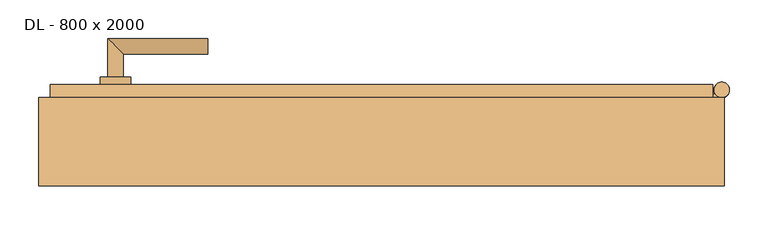
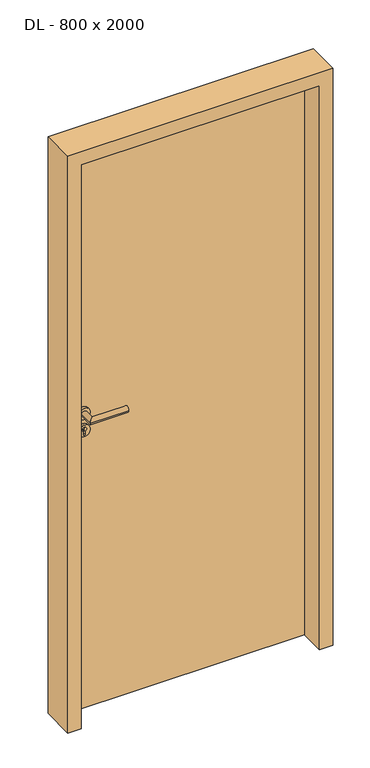
"""IFC4 building model written with IfcOpenShell, lengths in millimetres: door geometry, DL - 800 x 2000."""

import ifcopenshell
import ifcopenshell.guid

model = None  # the IFC model being written
_history = None  # IfcOwnerHistory: only IFC2X3 demands one
_inside = {}  # id of a spatial element -> (the spatial element, [elements in it])
_under = {}  # id of a project, library or spatial element -> (it, [spatial elements below it])
_declared = {}  # id of a project -> (the project, [libraries it declares])
_typed = {}  # id of a type object -> (the type object, [elements of that type])
_made_of = {}  # id of a material, layer set ... -> (it, [elements and type objects made of it])


def new_model(schema):
    """Start an empty IFC model of exactly this schema.

    Asked for "IFC4X3", IfcOpenShell would pick the latest addendum, in which some entities
    have other attributes; the version numbers below select the first issue.
    IFC2X3 requires an IfcOwnerHistory on every rooted entity: one is made here for all.
    """
    global model, _history
    if schema == "IFC4X3":
        model = ifcopenshell.file(schema_version=(4, 3, 0, 0))
    else:
        model = ifcopenshell.file(schema=schema)
    _inside.clear()
    _under.clear()
    _declared.clear()
    _typed.clear()
    _made_of.clear()
    _history = None
    if model.schema == "IFC2X3":
        org = make("IfcOrganization", Name="unknown")
        user = make(
            "IfcPersonAndOrganization",
            ThePerson=make("IfcPerson", FamilyName="unknown"),
            TheOrganization=org,
        )
        app = make(
            "IfcApplication",
            ApplicationDeveloper=org,
            Version="unknown",
            ApplicationFullName="unknown",
            ApplicationIdentifier="unknown",
        )
        _history = make(
            "IfcOwnerHistory",
            OwningUser=user,
            OwningApplication=app,
            ChangeAction="ADDED",
            CreationDate=0,
        )
    return model


def make(cls, **values):
    """One entity of the class cls with the attributes given. An attribute that is None is left unset."""
    return model.create_entity(
        cls, **{name: value for name, value in values.items() if value is not None}
    )


def rooted(cls, **values):
    """An entity with a GlobalId (a new one), such as an element, a storey or a relation."""
    return make(cls, GlobalId=ifcopenshell.guid.new(), OwnerHistory=_history, **values)


def si_unit(unit_type, name, prefix=None):
    """IfcSIUnit, for example si_unit("LENGTHUNIT", "METRE", prefix="MILLI")."""
    return make("IfcSIUnit", UnitType=unit_type, Prefix=prefix, Name=name)


def assignment(units):
    """IfcUnitAssignment: the units of a project."""
    return None if units is None else make("IfcUnitAssignment", Units=units)


def point(xyz):
    """IfcCartesianPoint."""
    return None if xyz is None else make("IfcCartesianPoint", Coordinates=xyz)


def direction(xyz):
    """IfcDirection."""
    return None if xyz is None else make("IfcDirection", DirectionRatios=xyz)


def frame(location, z_axis=None, x_axis=None):
    """IfcAxis2Placement3D, a coordinate frame: its origin and axes. An axis left out is left unset."""
    return make(
        "IfcAxis2Placement3D",
        Location=point(location),
        Axis=direction(z_axis),
        RefDirection=direction(x_axis),
    )


def frame_2d(location, x_axis=None):
    """IfcAxis2Placement2D, a coordinate frame in the plane: its origin and x axis."""
    return make(
        "IfcAxis2Placement2D", Location=point(location), RefDirection=direction(x_axis)
    )


def origin():
    """The frame at (0, 0, 0) with its axes left unset."""
    return frame((0.0, 0.0, 0.0))


def place(relative_to, where):
    """IfcLocalPlacement: puts the frame where relative to a parent placement (None: the world)."""
    return make(
        "IfcLocalPlacement", PlacementRelTo=relative_to, RelativePlacement=where
    )


def context(
    kind, dimensions, precision=None, world=None, true_north=None, identifier=None
):
    """IfcGeometricRepresentationContext, for example the 3D "Model" context."""
    return make(
        "IfcGeometricRepresentationContext",
        ContextIdentifier=identifier,
        ContextType=kind,
        CoordinateSpaceDimension=dimensions,
        Precision=precision,
        WorldCoordinateSystem=world,
        TrueNorth=true_north,
    )


def project(units=None, contexts=None):
    """IfcProject with its units and contexts."""
    return rooted(
        "IfcProject",
        Name="project",
        RepresentationContexts=contexts,
        UnitsInContext=assignment(units),
    )


def spatial(cls, under=None, at=None, **own):
    """A site, building, storey or space (cls), placed at a placement, below another one or the project."""
    s = rooted(cls, ObjectPlacement=at, **own)
    if under is not None:
        _under.setdefault(under.id(), (under, []))[1].append(s)
    return s


def polyline(points):
    """IfcPolyline through the points."""
    return make("IfcPolyline", Points=[point(p) for p in points])


def circle_curve(where, radius):
    """IfcCircle in the frame where."""
    return make("IfcCircle", Position=where, Radius=radius)


def ellipse_curve(where, semi_axis1, semi_axis2):
    """IfcEllipse in the frame where."""
    return make(
        "IfcEllipse", Position=where, SemiAxis1=semi_axis1, SemiAxis2=semi_axis2
    )


def trimmed(basis, trim1, trim2, sense, master):
    """IfcTrimmedCurve: the piece of a basis curve between two trims."""
    return make(
        "IfcTrimmedCurve",
        BasisCurve=basis,
        Trim1=trim1,
        Trim2=trim2,
        SenseAgreement=sense,
        MasterRepresentation=master,
    )


def segment(curve, same_sense, transition):
    """IfcCompositeCurveSegment."""
    return make(
        "IfcCompositeCurveSegment",
        Transition=transition,
        SameSense=same_sense,
        ParentCurve=curve,
    )


def composite_curve(segments, self_intersect=None):
    """IfcCompositeCurve: segments joined end to end."""
    return make("IfcCompositeCurve", Segments=segments, SelfIntersect=self_intersect)


def outline(outer, holes=None, kind="AREA"):
    """IfcArbitraryClosedProfileDef: a profile drawn as a closed curve; with holes, ...WithVoids."""
    if holes is None:
        return make("IfcArbitraryClosedProfileDef", ProfileType=kind, OuterCurve=outer)
    return make(
        "IfcArbitraryProfileDefWithVoids",
        ProfileType=kind,
        OuterCurve=outer,
        InnerCurves=holes,
    )


def extrude(swept, where, along, depth):
    """IfcExtrudedAreaSolid: the profile swept, set in the frame where, extruded along a direction by depth."""
    return make(
        "IfcExtrudedAreaSolid",
        SweptArea=swept,
        Position=where,
        ExtrudedDirection=direction(along),
        Depth=depth,
    )


def faces_of(points, faces, orient=None, outer=None):
    """IfcFace entities. A face is a list of loops; a loop is a list of indices into points, from 0.

    orient and outer hold one flag for each loop. By default every Orientation is true, the
    first loop of a face is its IfcFaceOuterBound and the others are IfcFaceBound.
    """
    made = []
    for i, loops in enumerate(faces):
        bounds = []
        for j, loop in enumerate(loops):
            is_outer = j == 0 if outer is None else outer[i][j]
            bounds.append(
                make(
                    "IfcFaceOuterBound" if is_outer else "IfcFaceBound",
                    Bound=make("IfcPolyLoop", Polygon=[points[k] for k in loop]),
                    Orientation=True if orient is None else orient[i][j],
                )
            )
        made.append(make("IfcFace", Bounds=bounds))
    return made


def faceted_brep(points, faces, orient=None, outer=None, voids=None):
    """IfcFacetedBrep: a solid bounded by flat faces; with voids (closed shells), ...WithVoids."""
    shared = [point(p) for p in points]
    hull = make("IfcClosedShell", CfsFaces=faces_of(shared, faces, orient, outer))
    if voids is None:
        return make("IfcFacetedBrep", Outer=hull)
    return make(
        "IfcFacetedBrepWithVoids",
        Outer=hull,
        Voids=[
            make(cls, CfsFaces=faces_of(shared, fs, o, b)) for cls, fs, o, b in voids
        ],
    )


def shape(context_of_items, identifier, shape_type, items):
    """IfcShapeRepresentation: the items that make up one representation, for example the "Body"."""
    return make(
        "IfcShapeRepresentation",
        ContextOfItems=context_of_items,
        RepresentationIdentifier=identifier,
        RepresentationType=shape_type,
        Items=items,
    )


def source(mapping_origin, context_of_items, identifier, shape_type, items):
    """IfcRepresentationMap: a shape defined once, which mapped items show again and again."""
    return make(
        "IfcRepresentationMap",
        MappingOrigin=mapping_origin,
        MappedRepresentation=shape(context_of_items, identifier, shape_type, items),
    )


def transform(
    local_origin,
    x_axis=None,
    y_axis=None,
    z_axis=None,
    scale=None,
    scale2=None,
    scale3=None,
    uniform=True,
):
    """IfcCartesianTransformationOperator3D, or its non-uniform kind. x_axis, y_axis, z_axis: its Axis1, 2, 3."""
    if uniform:
        return make(
            "IfcCartesianTransformationOperator3D",
            Axis1=direction(x_axis),
            Axis2=direction(y_axis),
            LocalOrigin=point(local_origin),
            Scale=scale,
            Axis3=direction(z_axis),
        )
    return make(
        "IfcCartesianTransformationOperator3DnonUniform",
        Axis1=direction(x_axis),
        Axis2=direction(y_axis),
        LocalOrigin=point(local_origin),
        Scale=scale,
        Axis3=direction(z_axis),
        Scale2=scale2,
        Scale3=scale3,
    )


def mapped(mapping_source, mapping_target):
    """IfcMappedItem: shows the shape of a source again, moved by a transform."""
    return make(
        "IfcMappedItem", MappingSource=mapping_source, MappingTarget=mapping_target
    )


def made_of(thing, what):
    """Note that an element or type object is made of a material, layer set ...; save() writes the relation."""
    if what is not None:
        _made_of.setdefault(what.id(), (what, []))[1].append(thing)
    return thing


def element(
    cls,
    number,
    at=None,
    inside=None,
    cuts=None,
    type_object=None,
    material=None,
    context=None,
    identifier="Body",
    shape_type=None,
    held_by="IfcProductDefinitionShape",
    body=None,
    shapes=None,
    **own,
):
    """One element of the class cls, such as IfcWall. Its Tag is "e" and its number.

    at: its placement. inside: the storey or other place that contains it. cuts: it is an
    opening in that element (IfcRelVoidsElement). A single representation is given by context,
    identifier, shape_type and body (its items); several are given by shapes. held_by: the class
    of the entity that holds the representations. save() writes the other relations.
    """
    e = rooted(cls, Tag="e%d" % number, ObjectPlacement=at, **own)
    if body is not None:
        shapes = [shape(context, identifier, shape_type, body)]
    if shapes is not None:
        e.Representation = make(held_by, Representations=shapes)
    if inside is not None:
        _inside.setdefault(inside.id(), (inside, []))[1].append(e)
    if cuts is not None:
        rooted(
            "IfcRelVoidsElement", RelatingBuildingElement=cuts, RelatedOpeningElement=e
        )
    if type_object is not None:
        _typed.setdefault(type_object.id(), (type_object, []))[1].append(e)
    return made_of(e, material)


def aggregate(whole, parts):
    """IfcRelAggregates: a whole, such as a stair, and the parts it consists of."""
    return rooted("IfcRelAggregates", RelatingObject=whole, RelatedObjects=parts)


def save(model, path):
    """Write the relations noted so far, then the file.

    IfcRelAggregates (storeys below a building ...), IfcRelContainedInSpatialStructure (elements
    in a storey), IfcRelDefinesByType, IfcRelAssociatesMaterial and IfcRelDeclares: one each for
    every whole, place, type object, material and project.
    """
    for whole, parts in _under.values():
        aggregate(whole, parts)
    for where, things in _inside.values():
        rooted(
            "IfcRelContainedInSpatialStructure",
            RelatedElements=things,
            RelatingStructure=where,
        )
    for kind, things in _typed.values():
        rooted("IfcRelDefinesByType", RelatedObjects=things, RelatingType=kind)
    for what, things in _made_of.values():
        rooted("IfcRelAssociatesMaterial", RelatedObjects=things, RelatingMaterial=what)
    for by, libraries in _declared.values():
        rooted("IfcRelDeclares", RelatingContext=by, RelatedDefinitions=libraries)
    model.write(path)


def plane_surface(at):
    """IfcPlane: the flat surface through the origin of the frame at, square to its z axis."""
    return make("IfcPlane", Position=at)


def cylinder_surface(at, radius):
    """IfcCylindricalSurface: all points at the distance radius from the z axis of the frame at."""
    return make("IfcCylindricalSurface", Position=at, Radius=radius)


def advanced_brep(points, edges, surfaces, faces):
    """IfcAdvancedBrep: a solid bounded by faces that lie on surfaces and meet in shared edges.

    An edge is (start, end): straight between two places in points (the first is 0);
    or (start, end, curve); or (start, end, curve, False) where it runs against its curve.
    A face is (place in surfaces, loops), or (place, loops, False) where it looks against
    its surface's normal. A loop lists edges by number (the first is 1), with a minus sign
    where the edge is run from its end to its start. The first loop is the outer one.
    """
    corners = [point(p) for p in points]
    vertices = [make("IfcVertexPoint", VertexGeometry=c) for c in corners]
    made = []
    for start, end, *more in edges:
        made.append(
            make(
                "IfcEdgeCurve",
                EdgeStart=vertices[start],
                EdgeEnd=vertices[end],
                EdgeGeometry=more[0] if more else make("IfcPolyline", Points=[corners[start], corners[end]]),
                SameSense=more[1] if len(more) > 1 else True,
            )
        )
    hull = []
    for where, loops, *sense in faces:
        bounds = []
        for j, loop in enumerate(loops):
            ring = [make("IfcOrientedEdge", EdgeElement=made[abs(k) - 1], Orientation=k > 0) for k in loop]
            bounds.append(
                make(
                    "IfcFaceOuterBound" if j == 0 else "IfcFaceBound",
                    Bound=make("IfcEdgeLoop", EdgeList=ring),
                    Orientation=True,
                )
            )
        hull.append(make("IfcAdvancedFace", Bounds=bounds, FaceSurface=surfaces[where], SameSense=sense[0] if sense else True))
    return make("IfcAdvancedBrep", Outer=make("IfcClosedShell", CfsFaces=hull))


def dl_800_x_2000_41e7b080(model_context):
    return source(origin(), model_context, "Body", "SolidModel", [
        faceted_brep([(430.0, 74.5, 0.0), (430.0, 57.5, 0.0), (415.0, 57.5, 0.0), (415.0, 29.5, 0.0), (-415.0, 29.5, 0.0), (-415.0, 57.5, 0.0), (-430.0, 57.5, 0.0), (-430.0, 74.5, 0.0), (430.0, 74.5, 2030.0), (-430.0, 74.5, 2030.0), (-430.0, 57.5, 2030.0), (-415.0, 57.5, 2015.0), (415.0, 57.5, 2015.0), (430.0, 57.5, 2030.0), (-415.0, 29.5, 2015.0), (415.0, 29.5, 2015.0)], [[[0, 1, 2, 3, 4, 5, 6, 7]], [[8, 0, 7, 9]], [[7, 6, 10, 9]], [[11, 12, 2, 1, 13, 10, 6, 5]], [[5, 4, 14, 11]], [[3, 15, 14, 4]], [[12, 15, 3, 2]], [[8, 13, 1, 0]], [[9, 10, 13, 8]], [[11, 14, 15, 12]]]),
        extrude(outline(composite_curve([segment(trimmed(circle_curve(frame_2d((442.0, 67.5)), 10.0), [point((432.0, 67.5))], [point((452.0, 67.5))], False, "CARTESIAN"), True, "CONTINUOUS"), segment(trimmed(circle_curve(frame_2d((442.0, 67.5)), 10.0), [point((452.0, 67.5))], [point((432.0, 67.5))], False, "CARTESIAN"), True, "CONTINUOUS")], self_intersect=False)), frame((0.0, 0.0, 1799.0), z_axis=(0.0, 0.0, 1.0), x_axis=(1.0, 0.0, 0.0)), (0.0, 0.0, 1.0), 25.0),
        extrude(outline(composite_curve([segment(polyline([(442.0, 57.5), (430.0, 57.5), (430.0, 62.5), (433.339746, 62.5)]), True, "CONTINUOUS"), segment(trimmed(circle_curve(frame_2d((442.0, 67.5)), 10.0), [point((433.339746, 62.5))], [point((442.0, 57.5))], False, "CARTESIAN"), True, "CONTINUOUS")], self_intersect=False)), frame((0.0, 0.0, 1749.0), z_axis=(0.0, 0.0, 1.0), x_axis=(1.0, 0.0, 0.0)), (0.0, 0.0, 1.0), 50.0),
        extrude(outline(composite_curve([segment(trimmed(circle_curve(frame_2d((442.0, 67.5)), 10.0), [point((432.0, 67.5))], [point((452.0, 67.5))], False, "CARTESIAN"), True, "CONTINUOUS"), segment(trimmed(circle_curve(frame_2d((442.0, 67.5)), 10.0), [point((452.0, 67.5))], [point((432.0, 67.5))], False, "CARTESIAN"), True, "CONTINUOUS")], self_intersect=False)), frame((0.0, 0.0, 1724.0), z_axis=(0.0, 0.0, 1.0), x_axis=(1.0, 0.0, 0.0)), (0.0, 0.0, 1.0), 25.0),
        extrude(outline(composite_curve([segment(trimmed(circle_curve(frame_2d((442.0, 67.5)), 10.0), [point((432.0, 67.5))], [point((452.0, 67.5))], False, "CARTESIAN"), True, "CONTINUOUS"), segment(trimmed(circle_curve(frame_2d((442.0, 67.5)), 10.0), [point((452.0, 67.5))], [point((432.0, 67.5))], False, "CARTESIAN"), True, "CONTINUOUS")], self_intersect=False)), frame((0.0, 0.0, 266.0), z_axis=(0.0, 0.0, 1.0), x_axis=(1.0, 0.0, 0.0)), (0.0, 0.0, 1.0), 25.0),
        extrude(outline(composite_curve([segment(polyline([(442.0, 57.5), (430.0, 57.5), (430.0, 62.5), (433.339746, 62.5)]), True, "CONTINUOUS"), segment(trimmed(circle_curve(frame_2d((442.0, 67.5)), 10.0), [point((433.339746, 62.5))], [point((442.0, 57.5))], False, "CARTESIAN"), True, "CONTINUOUS")], self_intersect=False)), frame((0.0, 0.0, 216.0), z_axis=(0.0, 0.0, 1.0), x_axis=(1.0, 0.0, 0.0)), (0.0, 0.0, 1.0), 50.0),
        extrude(outline(composite_curve([segment(trimmed(circle_curve(frame_2d((442.0, 67.5)), 10.0), [point((432.0, 67.5))], [point((452.0, 67.5))], False, "CARTESIAN"), True, "CONTINUOUS"), segment(trimmed(circle_curve(frame_2d((442.0, 67.5)), 10.0), [point((452.0, 67.5))], [point((432.0, 67.5))], False, "CARTESIAN"), True, "CONTINUOUS")], self_intersect=False)), frame((0.0, 0.0, 191.0), z_axis=(0.0, 0.0, 1.0), x_axis=(1.0, 0.0, 0.0)), (0.0, 0.0, 1.0), 25.0),
        advanced_brep(
        [(-335.0, 84.5, 1050.0), (-355.0, 84.5, 1050.0), (-335.0, 114.5, 1050.0), (-355.0, 134.5, 1050.0), (-225.0, 114.5, 1050.0), (-225.0, 134.5, 1050.0)],
        [
            (0, 1, circle_curve(frame((-345.0, 84.5, 1050.0), z_axis=(0.0, -1.0, 0.0), x_axis=(-1.0, 0.0, 0.0)), 10.0)),
            (1, 0, circle_curve(frame((-345.0, 84.5, 1050.0), z_axis=(0.0, -1.0, 0.0), x_axis=(-1.0, 0.0, 0.0)), 10.0)),
            (0, 2),
            (2, 3, ellipse_curve(frame((-345.0, 124.5, 1050.0), z_axis=(-0.7071067811865531, -0.7071067811865419, 0.0), x_axis=(0.707106781186542, -0.707106781186553, 0.0)), 14.1421356, 10.0)),
            (3, 1),
            (3, 2, ellipse_curve(frame((-345.0, 124.5, 1050.0), z_axis=(-0.7071067811865531, -0.7071067811865419, 0.0), x_axis=(0.707106781186542, -0.707106781186553, 0.0)), 14.1421356, 10.0)),
            (4, 5, circle_curve(frame((-225.0, 124.5, 1050.0), z_axis=(1.0, 0.0, 0.0), x_axis=(0.0, 1.0, 0.0)), 10.0)),
            (5, 4, circle_curve(frame((-225.0, 124.5, 1050.0), z_axis=(1.0, 0.0, 0.0), x_axis=(0.0, 1.0, 0.0)), 10.0)),
            (2, 4),
            (5, 3),
        ],
        [
            plane_surface(frame((-345.0, 84.5, 1050.0), z_axis=(0.0, -1.0, 0.0), x_axis=(0.0, 0.0, 1.0))),
            cylinder_surface(frame((-345.0, 84.5, 1050.0), z_axis=(0.0, -1.0, 0.0), x_axis=(-1.0, 0.0, 0.0)), 10.0),
            plane_surface(frame((-225.0, 124.5, 1050.0), z_axis=(1.0, 0.0, 0.0), x_axis=(0.0, 0.0, 1.0))),
            cylinder_surface(frame((-345.0, 124.5, 1050.0), z_axis=(-1.0, 0.0, 0.0), x_axis=(0.0, 1.0, 0.0)), 10.0),
        ],
        [
            (0, [[1, 2]]),
            (1, [[-1, 3, 4, 5]]),
            (1, [[-2, -5, 6, -3]]),
            (2, [[7, 8]]),
            (3, [[-4, 9, -8, 10]]),
            (3, [[-6, -10, -7, -9]]),
        ],
    ),
        extrude(outline(composite_curve([segment(trimmed(circle_curve(frame_2d((990.0, -345.0)), 20.0), [point((990.0, -365.0))], [point((990.0, -325.0))], False, "CARTESIAN"), True, "CONTINUOUS"), segment(trimmed(circle_curve(frame_2d((990.0, -345.0)), 20.0), [point((990.0, -325.0))], [point((990.0, -365.0))], False, "CARTESIAN"), True, "CONTINUOUS")], self_intersect=False), holes=[composite_curve([segment(polyline([(976.4601385, -347.397268), (988.4749012, -347.397268)]), True, "CONTINUOUS"), segment(trimmed(circle_curve(frame_2d((995.0361633, -345.0)), 6.9854888), [point((988.4749012, -347.397268))], [point((988.4749012, -342.602732))], True, "CARTESIAN"), True, "CONTINUOUS"), segment(polyline([(988.4749012, -342.602732), (976.4601385, -342.602732)]), True, "CONTINUOUS"), segment(trimmed(circle_curve(frame_2d((976.4601385, -345.0)), 2.397268), [point((976.4601385, -342.602732))], [point((976.4601385, -347.397268))], True, "CARTESIAN"), True, "CONTINUOUS")], self_intersect=False)]), frame((0.0, 74.5, 0.0), z_axis=(0.0, 1.0, 0.0), x_axis=(0.0, 0.0, 1.0)), (0.0, 0.0, 1.0), 10.0),
        advanced_brep(
        [(-335.0, 84.5, 1050.0), (-355.0, 84.5, 1050.0), (-335.0, 114.5, 1050.0), (-355.0, 134.5, 1050.0), (-225.0, 114.5, 1050.0), (-225.0, 134.5, 1050.0)],
        [
            (0, 1, circle_curve(frame((-345.0, 84.5, 1050.0), z_axis=(0.0, -1.0, 0.0), x_axis=(-1.0, 0.0, 0.0)), 10.0)),
            (1, 0, circle_curve(frame((-345.0, 84.5, 1050.0), z_axis=(0.0, -1.0, 0.0), x_axis=(-1.0, 0.0, 0.0)), 10.0)),
            (0, 2),
            (2, 3, ellipse_curve(frame((-345.0, 124.5, 1050.0), z_axis=(-0.7071067811865537, -0.7071067811865414, 0.0), x_axis=(0.7071067811865414, -0.7071067811865536, 0.0)), 14.1421356, 10.0)),
            (3, 1),
            (3, 2, ellipse_curve(frame((-345.0, 124.5, 1050.0), z_axis=(-0.7071067811865537, -0.7071067811865414, 0.0), x_axis=(0.7071067811865414, -0.7071067811865536, 0.0)), 14.1421356, 10.0)),
            (4, 5, circle_curve(frame((-225.0, 124.5, 1050.0), z_axis=(1.0, 0.0, 0.0), x_axis=(0.0, 1.0, 0.0)), 10.0)),
            (5, 4, circle_curve(frame((-225.0, 124.5, 1050.0), z_axis=(1.0, 0.0, 0.0), x_axis=(0.0, 1.0, 0.0)), 10.0)),
            (2, 4),
            (5, 3),
        ],
        [
            plane_surface(frame((-345.0, 84.5, 1050.0), z_axis=(0.0, -1.0, 0.0), x_axis=(0.0, 0.0, 1.0))),
            cylinder_surface(frame((-345.0, 84.5, 1050.0), z_axis=(0.0, -1.0, 0.0), x_axis=(-1.0, 0.0, 0.0)), 10.0),
            plane_surface(frame((-225.0, 124.5, 1050.0), z_axis=(1.0, 0.0, 0.0), x_axis=(0.0, 0.0, 1.0))),
            cylinder_surface(frame((-345.0, 124.5, 1050.0), z_axis=(-1.0, 0.0, 0.0), x_axis=(0.0, 1.0, 0.0)), 10.0),
        ],
        [
            (0, [[1, 2]]),
            (1, [[-1, 3, 4, 5]]),
            (1, [[-2, -5, 6, -3]]),
            (2, [[7, 8]]),
            (3, [[-4, 9, -8, 10]]),
            (3, [[-6, -10, -7, -9]]),
        ],
    ),
        extrude(outline(composite_curve([segment(trimmed(circle_curve(frame_2d((1050.0, -345.0)), 20.0), [point((1050.0, -365.0))], [point((1050.0, -325.0))], False, "CARTESIAN"), True, "CONTINUOUS"), segment(trimmed(circle_curve(frame_2d((1050.0, -345.0)), 20.0), [point((1050.0, -325.0))], [point((1050.0, -365.0))], False, "CARTESIAN"), True, "CONTINUOUS")], self_intersect=False)), frame((0.0, 74.5, 0.0), z_axis=(0.0, 1.0, 0.0), x_axis=(0.0, 0.0, 1.0)), (0.0, 0.0, 1.0), 10.0),
        advanced_brep(
        [(-335.0, 19.5, 1050.0), (-355.0, 19.5, 1050.0), (-355.0, -30.5, 1050.0), (-335.0, -10.5, 1050.0), (-225.0, -10.5, 1050.0), (-225.0, -30.5, 1050.0)],
        [
            (0, 1, circle_curve(frame((-345.0, 19.5, 1050.0), z_axis=(0.0, 1.0, 0.0), x_axis=(-1.0, 0.0, 0.0)), 10.0)),
            (1, 0, circle_curve(frame((-345.0, 19.5, 1050.0), z_axis=(0.0, 1.0, 0.0), x_axis=(-1.0, 0.0, 0.0)), 10.0)),
            (1, 2),
            (2, 3, ellipse_curve(frame((-345.0, -20.5, 1050.0), z_axis=(-0.7071067811865486, 0.7071067811865464, 0.0), x_axis=(0.7071067811865464, 0.7071067811865488, 0.0)), 14.1421356, 10.0)),
            (3, 0),
            (3, 2, ellipse_curve(frame((-345.0, -20.5, 1050.0), z_axis=(-0.7071067811865486, 0.7071067811865464, 0.0), x_axis=(0.7071067811865464, 0.7071067811865488, 0.0)), 14.1421356, 10.0)),
            (4, 5, circle_curve(frame((-225.0, -20.5, 1050.0), z_axis=(1.0, 0.0, 0.0), x_axis=(0.0, -1.0, 0.0)), 10.0)),
            (5, 4, circle_curve(frame((-225.0, -20.5, 1050.0), z_axis=(1.0, 0.0, 0.0), x_axis=(0.0, -1.0, 0.0)), 10.0)),
            (2, 5),
            (4, 3),
        ],
        [
            plane_surface(frame((-345.0, 19.5, 1050.0), z_axis=(0.0, 1.0, 0.0), x_axis=(0.0, 0.0, 1.0))),
            cylinder_surface(frame((-345.0, 19.5, 1050.0), z_axis=(0.0, 1.0, 0.0), x_axis=(-1.0, 0.0, 0.0)), 10.0),
            plane_surface(frame((-225.0, -20.5, 1050.0), z_axis=(1.0, 0.0, 0.0), x_axis=(0.0, 0.0, 1.0))),
            cylinder_surface(frame((-345.0, -20.5, 1050.0), z_axis=(-1.0, 0.0, 0.0), x_axis=(0.0, -1.0, 0.0)), 10.0),
        ],
        [
            (0, [[1, 2]]),
            (1, [[3, 4, 5, -2]]),
            (1, [[-5, 6, -3, -1]]),
            (2, [[7, 8]]),
            (3, [[9, -7, 10, -4]]),
            (3, [[-10, -8, -9, -6]]),
        ],
    ),
        extrude(outline(composite_curve([segment(trimmed(circle_curve(frame_2d((990.0, -345.0)), 20.0), [point((990.0, -365.0))], [point((990.0, -325.0))], False, "CARTESIAN"), True, "CONTINUOUS"), segment(trimmed(circle_curve(frame_2d((990.0, -345.0)), 20.0), [point((990.0, -325.0))], [point((990.0, -365.0))], False, "CARTESIAN"), True, "CONTINUOUS")], self_intersect=False), holes=[composite_curve([segment(polyline([(976.4601385, -347.397268), (988.4749012, -347.397268)]), True, "CONTINUOUS"), segment(trimmed(circle_curve(frame_2d((995.0361633, -345.0)), 6.9854888), [point((988.4749012, -347.397268))], [point((988.4749012, -342.602732))], True, "CARTESIAN"), True, "CONTINUOUS"), segment(polyline([(988.4749012, -342.602732), (976.4601385, -342.602732)]), True, "CONTINUOUS"), segment(trimmed(circle_curve(frame_2d((976.4601385, -345.0)), 2.397268), [point((976.4601385, -342.602732))], [point((976.4601385, -347.397268))], True, "CARTESIAN"), True, "CONTINUOUS")], self_intersect=False)]), frame((0.0, 19.5, 0.0), z_axis=(0.0, 1.0, 0.0), x_axis=(0.0, 0.0, 1.0)), (0.0, 0.0, 1.0), 10.0),
        advanced_brep(
        [(-335.0, 19.5, 1050.0), (-355.0, 19.5, 1050.0), (-355.0, -30.5, 1050.0), (-335.0, -10.5, 1050.0), (-225.0, -10.5, 1050.0), (-225.0, -30.5, 1050.0)],
        [
            (0, 1, circle_curve(frame((-345.0, 19.5, 1050.0), z_axis=(0.0, 1.0, 0.0), x_axis=(-1.0, 0.0, 0.0)), 10.0)),
            (1, 0, circle_curve(frame((-345.0, 19.5, 1050.0), z_axis=(0.0, 1.0, 0.0), x_axis=(-1.0, 0.0, 0.0)), 10.0)),
            (1, 2),
            (2, 3, ellipse_curve(frame((-345.0, -20.5, 1050.0), z_axis=(-0.7071067811865491, 0.7071067811865459, 0.0), x_axis=(0.7071067811865458, 0.7071067811865492, 0.0)), 14.1421356, 10.0)),
            (3, 0),
            (3, 2, ellipse_curve(frame((-345.0, -20.5, 1050.0), z_axis=(-0.7071067811865491, 0.7071067811865459, 0.0), x_axis=(0.7071067811865458, 0.7071067811865492, 0.0)), 14.1421356, 10.0)),
            (4, 5, circle_curve(frame((-225.0, -20.5, 1050.0), z_axis=(1.0, 0.0, 0.0), x_axis=(0.0, -1.0, 0.0)), 10.0)),
            (5, 4, circle_curve(frame((-225.0, -20.5, 1050.0), z_axis=(1.0, 0.0, 0.0), x_axis=(0.0, -1.0, 0.0)), 10.0)),
            (2, 5),
            (4, 3),
        ],
        [
            plane_surface(frame((-345.0, 19.5, 1050.0), z_axis=(0.0, 1.0, 0.0), x_axis=(0.0, 0.0, 1.0))),
            cylinder_surface(frame((-345.0, 19.5, 1050.0), z_axis=(0.0, 1.0, 0.0), x_axis=(-1.0, 0.0, 0.0)), 10.0),
            plane_surface(frame((-225.0, -20.5, 1050.0), z_axis=(1.0, 0.0, 0.0), x_axis=(0.0, 0.0, 1.0))),
            cylinder_surface(frame((-345.0, -20.5, 1050.0), z_axis=(-1.0, 0.0, 0.0), x_axis=(0.0, -1.0, 0.0)), 10.0),
        ],
        [
            (0, [[1, 2]]),
            (1, [[3, 4, 5, -2]]),
            (1, [[-5, 6, -3, -1]]),
            (2, [[7, 8]]),
            (3, [[9, -7, 10, -4]]),
            (3, [[-10, -8, -9, -6]]),
        ],
    ),
        extrude(outline(composite_curve([segment(trimmed(circle_curve(frame_2d((1050.0, -345.0)), 20.0), [point((1050.0, -365.0))], [point((1050.0, -325.0))], False, "CARTESIAN"), True, "CONTINUOUS"), segment(trimmed(circle_curve(frame_2d((1050.0, -345.0)), 20.0), [point((1050.0, -325.0))], [point((1050.0, -365.0))], False, "CARTESIAN"), True, "CONTINUOUS")], self_intersect=False)), frame((0.0, 19.5, 0.0), z_axis=(0.0, 1.0, 0.0), x_axis=(0.0, 0.0, 1.0)), (0.0, 0.0, 1.0), 10.0),
        faceted_brep([(-415.0, 57.5, 0.0), (-415.0, 29.5, 0.0), (-400.0, 29.5, 0.0), (-400.0, -57.5, 0.0), (-445.0, -57.5, 0.0), (-445.0, 57.5, 0.0), (-415.0, 57.5, 2015.0), (-415.0, 29.5, 2015.0), (415.0, 29.5, 2015.0), (415.0, 29.5, 0.0), (400.0, 29.5, 0.0), (400.0, 29.5, 2000.0), (-400.0, 29.5, 2000.0), (-400.0, -57.5, 2000.0), (400.0, -57.5, 2000.0), (400.0, -57.5, 0.0), (445.0, -57.5, 0.0), (445.0, -57.5, 2045.0), (-445.0, -57.5, 2045.0), (-445.0, 57.5, 2045.0), (445.0, 57.5, 2045.0), (445.0, 57.5, 0.0), (415.0, 57.5, 0.0), (415.0, 57.5, 2015.0)], [[[0, 1, 2, 3, 4, 5]], [[1, 0, 6, 7]], [[2, 1, 7, 8, 9, 10, 11, 12]], [[3, 2, 12, 13]], [[4, 3, 13, 14, 15, 16, 17, 18]], [[5, 4, 18, 19]], [[0, 5, 19, 20, 21, 22, 23, 6]], [[20, 17, 16, 21]], [[22, 21, 16, 15, 10, 9]], [[8, 23, 22, 9]], [[14, 11, 10, 15]], [[19, 18, 17, 20]], [[13, 12, 11, 14]], [[7, 6, 23, 8]]]),
    ])


if __name__ == "__main__":
    model = new_model("IFC4")
    model_context = context("Model", 3, world=origin())
    ifc_project = project(units=[si_unit("LENGTHUNIT", "METRE", prefix="MILLI")], contexts=[model_context])
    site = spatial("IfcSite", under=ifc_project)
    building = spatial("IfcBuilding", under=site)
    placement = place(None, origin())
    dl_800_x_2000_shape = dl_800_x_2000_41e7b080(model_context)
    element("IfcDoor", 1, ObjectType="DL - 800 x 2000", at=placement, inside=building, context=model_context, shape_type="MappedRepresentation", body=[
        mapped(dl_800_x_2000_shape, transform((0.0, 0.0, 0.0), x_axis=(1.0, 0.0, 0.0), y_axis=(0.0, 1.0, 0.0), z_axis=(0.0, 0.0, 1.0))),
    ])
    save(model, "model.ifc")
